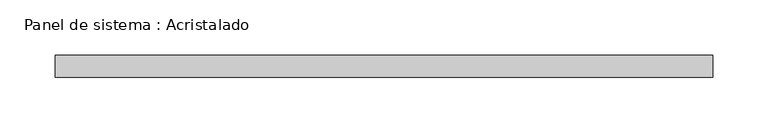
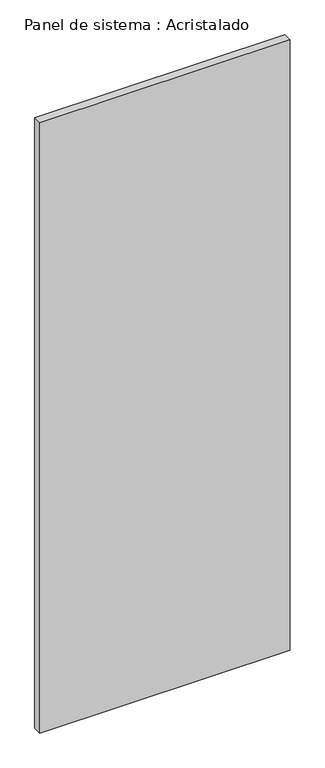
"""IFC4 building model written with IfcOpenShell, lengths in millimetres: plate geometry, Panel de sistema : Acristalado."""

from ifc_helpers import new_model, si_unit, origin, origin_with_axes, place, context, project, spatial, polyline, outline, extrude, source, transform, mapped, element, save


def panel_de_sistema_acristalado_1d73d284(model_context):
    return source(origin(), model_context, "Body", "SweptSolid", [
        extrude(outline(polyline([(298.3809375, -10.0), (-298.3809375, -10.0), (-298.3809375, 10.0), (298.3809375, 10.0), (298.3809375, -10.0)])), origin_with_axes(), (0.0, 0.0, 1.0), 1537.5081994),
    ])


if __name__ == "__main__":
    model = new_model("IFC4")
    model_context = context("Model", 3, world=origin())
    ifc_project = project(units=[si_unit("LENGTHUNIT", "METRE", prefix="MILLI")], contexts=[model_context])
    site = spatial("IfcSite", under=ifc_project)
    building = spatial("IfcBuilding", under=site)
    placement = place(None, origin())
    panel_de_sistema_acristalado_shape = panel_de_sistema_acristalado_1d73d284(model_context)
    element("IfcPlate", 1, ObjectType="Panel de sistema : Acristalado", at=placement, inside=building, context=model_context, shape_type="MappedRepresentation", body=[
        mapped(panel_de_sistema_acristalado_shape, transform((0.0, 0.0, 0.0), x_axis=(1.0, 0.0, 0.0), y_axis=(0.0, 1.0, 0.0), z_axis=(0.0, 0.0, 1.0))),
    ])
    save(model, "model.ifc")
